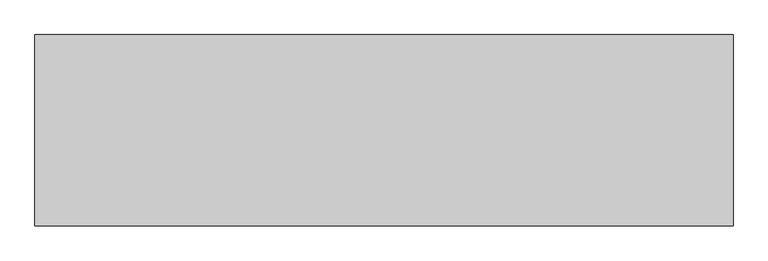
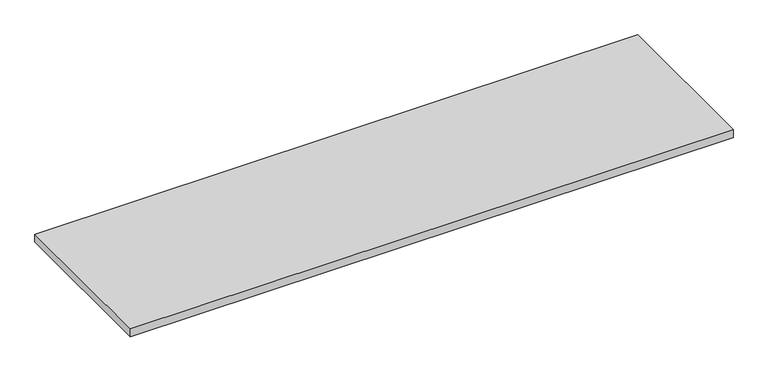
"""IFC4 building model written with IfcOpenShell, lengths in millimetres: furniture geometry."""

from ifc_helpers import new_model, si_unit, frame, origin, place, context, project, spatial, polyline, outline, extrude, source, transform, mapped, element, save


def furniture_b805819f(model_context):
    return source(origin(), model_context, "Body", "SweptSolid", [
        extrude(outline(polyline([(1667.9275996, 174.6914812), (-462.6244004, 174.6914812), (-462.6244004, 758.8914812), (1667.9275996, 758.8914812), (1667.9275996, 174.6914812)])), frame((0.0, 0.0, 707.0328125), z_axis=(0.0, 0.0, 1.0), x_axis=(1.0, 0.0, 0.0)), (0.0, 0.0, 1.0), 29.5671875),
    ])


if __name__ == "__main__":
    model = new_model("IFC4")
    model_context = context("Model", 3, world=origin())
    ifc_project = project(units=[si_unit("LENGTHUNIT", "METRE", prefix="MILLI")], contexts=[model_context])
    site = spatial("IfcSite", under=ifc_project)
    building = spatial("IfcBuilding", under=site)
    placement = place(None, origin())
    furniture_shape = furniture_b805819f(model_context)
    element("IfcFurniture", 1, at=placement, inside=building, context=model_context, shape_type="MappedRepresentation", body=[
        mapped(furniture_shape, transform((0.0, 0.0, 0.0), x_axis=(1.0, 0.0, 0.0), y_axis=(0.0, 1.0, 0.0), z_axis=(0.0, 0.0, 1.0))),
    ])
    save(model, "model.ifc")
